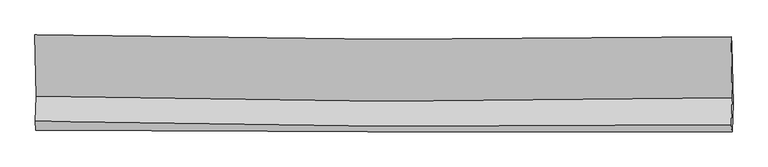
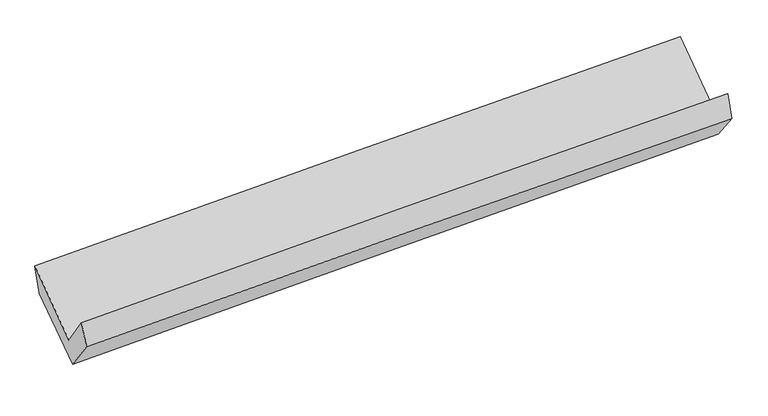
"""IFC4 building model written with IfcOpenShell, lengths in millimetres: proxy geometry."""

import ifcopenshell
import ifcopenshell.guid

model = None  # the IFC model being written
_history = None  # IfcOwnerHistory: only IFC2X3 demands one
_inside = {}  # id of a spatial element -> (the spatial element, [elements in it])
_under = {}  # id of a project, library or spatial element -> (it, [spatial elements below it])
_declared = {}  # id of a project -> (the project, [libraries it declares])
_typed = {}  # id of a type object -> (the type object, [elements of that type])
_made_of = {}  # id of a material, layer set ... -> (it, [elements and type objects made of it])


def new_model(schema):
    """Start an empty IFC model of exactly this schema.

    Asked for "IFC4X3", IfcOpenShell would pick the latest addendum, in which some entities
    have other attributes; the version numbers below select the first issue.
    IFC2X3 requires an IfcOwnerHistory on every rooted entity: one is made here for all.
    """
    global model, _history
    if schema == "IFC4X3":
        model = ifcopenshell.file(schema_version=(4, 3, 0, 0))
    else:
        model = ifcopenshell.file(schema=schema)
    _inside.clear()
    _under.clear()
    _declared.clear()
    _typed.clear()
    _made_of.clear()
    _history = None
    if model.schema == "IFC2X3":
        org = make("IfcOrganization", Name="unknown")
        user = make(
            "IfcPersonAndOrganization",
            ThePerson=make("IfcPerson", FamilyName="unknown"),
            TheOrganization=org,
        )
        app = make(
            "IfcApplication",
            ApplicationDeveloper=org,
            Version="unknown",
            ApplicationFullName="unknown",
            ApplicationIdentifier="unknown",
        )
        _history = make(
            "IfcOwnerHistory",
            OwningUser=user,
            OwningApplication=app,
            ChangeAction="ADDED",
            CreationDate=0,
        )
    return model


def make(cls, **values):
    """One entity of the class cls with the attributes given. An attribute that is None is left unset."""
    return model.create_entity(
        cls, **{name: value for name, value in values.items() if value is not None}
    )


def rooted(cls, **values):
    """An entity with a GlobalId (a new one), such as an element, a storey or a relation."""
    return make(cls, GlobalId=ifcopenshell.guid.new(), OwnerHistory=_history, **values)


def si_unit(unit_type, name, prefix=None):
    """IfcSIUnit, for example si_unit("LENGTHUNIT", "METRE", prefix="MILLI")."""
    return make("IfcSIUnit", UnitType=unit_type, Prefix=prefix, Name=name)


def assignment(units):
    """IfcUnitAssignment: the units of a project."""
    return None if units is None else make("IfcUnitAssignment", Units=units)


def point(xyz):
    """IfcCartesianPoint."""
    return None if xyz is None else make("IfcCartesianPoint", Coordinates=xyz)


def direction(xyz):
    """IfcDirection."""
    return None if xyz is None else make("IfcDirection", DirectionRatios=xyz)


def frame(location, z_axis=None, x_axis=None):
    """IfcAxis2Placement3D, a coordinate frame: its origin and axes. An axis left out is left unset."""
    return make(
        "IfcAxis2Placement3D",
        Location=point(location),
        Axis=direction(z_axis),
        RefDirection=direction(x_axis),
    )


def origin():
    """The frame at (0, 0, 0) with its axes left unset."""
    return frame((0.0, 0.0, 0.0))


def place(relative_to, where):
    """IfcLocalPlacement: puts the frame where relative to a parent placement (None: the world)."""
    return make(
        "IfcLocalPlacement", PlacementRelTo=relative_to, RelativePlacement=where
    )


def context(
    kind, dimensions, precision=None, world=None, true_north=None, identifier=None
):
    """IfcGeometricRepresentationContext, for example the 3D "Model" context."""
    return make(
        "IfcGeometricRepresentationContext",
        ContextIdentifier=identifier,
        ContextType=kind,
        CoordinateSpaceDimension=dimensions,
        Precision=precision,
        WorldCoordinateSystem=world,
        TrueNorth=true_north,
    )


def project(units=None, contexts=None):
    """IfcProject with its units and contexts."""
    return rooted(
        "IfcProject",
        Name="project",
        RepresentationContexts=contexts,
        UnitsInContext=assignment(units),
    )


def spatial(cls, under=None, at=None, **own):
    """A site, building, storey or space (cls), placed at a placement, below another one or the project."""
    s = rooted(cls, ObjectPlacement=at, **own)
    if under is not None:
        _under.setdefault(under.id(), (under, []))[1].append(s)
    return s


def shape(context_of_items, identifier, shape_type, items):
    """IfcShapeRepresentation: the items that make up one representation, for example the "Body"."""
    return make(
        "IfcShapeRepresentation",
        ContextOfItems=context_of_items,
        RepresentationIdentifier=identifier,
        RepresentationType=shape_type,
        Items=items,
    )


def source(mapping_origin, context_of_items, identifier, shape_type, items):
    """IfcRepresentationMap: a shape defined once, which mapped items show again and again."""
    return make(
        "IfcRepresentationMap",
        MappingOrigin=mapping_origin,
        MappedRepresentation=shape(context_of_items, identifier, shape_type, items),
    )


def transform(
    local_origin,
    x_axis=None,
    y_axis=None,
    z_axis=None,
    scale=None,
    scale2=None,
    scale3=None,
    uniform=True,
):
    """IfcCartesianTransformationOperator3D, or its non-uniform kind. x_axis, y_axis, z_axis: its Axis1, 2, 3."""
    if uniform:
        return make(
            "IfcCartesianTransformationOperator3D",
            Axis1=direction(x_axis),
            Axis2=direction(y_axis),
            LocalOrigin=point(local_origin),
            Scale=scale,
            Axis3=direction(z_axis),
        )
    return make(
        "IfcCartesianTransformationOperator3DnonUniform",
        Axis1=direction(x_axis),
        Axis2=direction(y_axis),
        LocalOrigin=point(local_origin),
        Scale=scale,
        Axis3=direction(z_axis),
        Scale2=scale2,
        Scale3=scale3,
    )


def mapped(mapping_source, mapping_target):
    """IfcMappedItem: shows the shape of a source again, moved by a transform."""
    return make(
        "IfcMappedItem", MappingSource=mapping_source, MappingTarget=mapping_target
    )


def made_of(thing, what):
    """Note that an element or type object is made of a material, layer set ...; save() writes the relation."""
    if what is not None:
        _made_of.setdefault(what.id(), (what, []))[1].append(thing)
    return thing


def element(
    cls,
    number,
    at=None,
    inside=None,
    cuts=None,
    type_object=None,
    material=None,
    context=None,
    identifier="Body",
    shape_type=None,
    held_by="IfcProductDefinitionShape",
    body=None,
    shapes=None,
    **own,
):
    """One element of the class cls, such as IfcWall. Its Tag is "e" and its number.

    at: its placement. inside: the storey or other place that contains it. cuts: it is an
    opening in that element (IfcRelVoidsElement). A single representation is given by context,
    identifier, shape_type and body (its items); several are given by shapes. held_by: the class
    of the entity that holds the representations. save() writes the other relations.
    """
    e = rooted(cls, Tag="e%d" % number, ObjectPlacement=at, **own)
    if body is not None:
        shapes = [shape(context, identifier, shape_type, body)]
    if shapes is not None:
        e.Representation = make(held_by, Representations=shapes)
    if inside is not None:
        _inside.setdefault(inside.id(), (inside, []))[1].append(e)
    if cuts is not None:
        rooted(
            "IfcRelVoidsElement", RelatingBuildingElement=cuts, RelatedOpeningElement=e
        )
    if type_object is not None:
        _typed.setdefault(type_object.id(), (type_object, []))[1].append(e)
    return made_of(e, material)


def aggregate(whole, parts):
    """IfcRelAggregates: a whole, such as a stair, and the parts it consists of."""
    return rooted("IfcRelAggregates", RelatingObject=whole, RelatedObjects=parts)


def save(model, path):
    """Write the relations noted so far, then the file.

    IfcRelAggregates (storeys below a building ...), IfcRelContainedInSpatialStructure (elements
    in a storey), IfcRelDefinesByType, IfcRelAssociatesMaterial and IfcRelDeclares: one each for
    every whole, place, type object, material and project.
    """
    for whole, parts in _under.values():
        aggregate(whole, parts)
    for where, things in _inside.values():
        rooted(
            "IfcRelContainedInSpatialStructure",
            RelatedElements=things,
            RelatingStructure=where,
        )
    for kind, things in _typed.values():
        rooted("IfcRelDefinesByType", RelatedObjects=things, RelatingType=kind)
    for what, things in _made_of.values():
        rooted("IfcRelAssociatesMaterial", RelatedObjects=things, RelatingMaterial=what)
    for by, libraries in _declared.values():
        rooted("IfcRelDeclares", RelatingContext=by, RelatedDefinitions=libraries)
    model.write(path)


def plane_surface(at):
    """IfcPlane: the flat surface through the origin of the frame at, square to its z axis."""
    return make("IfcPlane", Position=at)


def spline_curve(degree, points, multiplicities, knots, weights=None):
    """IfcBSplineCurveWithKnots; with weights, IfcRationalBSplineCurveWithKnots."""
    own = dict(
        Degree=degree,
        ControlPointsList=[point(p) for p in points],
        CurveForm="UNSPECIFIED",
        ClosedCurve=False,
        SelfIntersect=False,
        KnotMultiplicities=multiplicities,
        Knots=knots,
        KnotSpec="UNSPECIFIED",
    )
    if weights is None:
        return make("IfcBSplineCurveWithKnots", **own)
    return make("IfcRationalBSplineCurveWithKnots", WeightsData=weights, **own)


def spline_surface(u_degree, v_degree, points, u_multiplicities, v_multiplicities, u_knots, v_knots, weights=None):
    """IfcBSplineSurfaceWithKnots; with weights, IfcRationalBSplineSurfaceWithKnots. points: one row for each step in u."""
    own = dict(
        UDegree=u_degree,
        VDegree=v_degree,
        ControlPointsList=[[point(p) for p in row] for row in points],
        SurfaceForm="UNSPECIFIED",
        UClosed=False,
        VClosed=False,
        SelfIntersect=False,
        UMultiplicities=u_multiplicities,
        VMultiplicities=v_multiplicities,
        UKnots=u_knots,
        VKnots=v_knots,
        KnotSpec="UNSPECIFIED",
    )
    if weights is None:
        return make("IfcBSplineSurfaceWithKnots", **own)
    return make("IfcRationalBSplineSurfaceWithKnots", WeightsData=weights, **own)


def advanced_brep(points, edges, surfaces, faces):
    """IfcAdvancedBrep: a solid bounded by faces that lie on surfaces and meet in shared edges.

    An edge is (start, end): straight between two places in points (the first is 0);
    or (start, end, curve); or (start, end, curve, False) where it runs against its curve.
    A face is (place in surfaces, loops), or (place, loops, False) where it looks against
    its surface's normal. A loop lists edges by number (the first is 1), with a minus sign
    where the edge is run from its end to its start. The first loop is the outer one.
    """
    corners = [point(p) for p in points]
    vertices = [make("IfcVertexPoint", VertexGeometry=c) for c in corners]
    made = []
    for start, end, *more in edges:
        made.append(
            make(
                "IfcEdgeCurve",
                EdgeStart=vertices[start],
                EdgeEnd=vertices[end],
                EdgeGeometry=more[0] if more else make("IfcPolyline", Points=[corners[start], corners[end]]),
                SameSense=more[1] if len(more) > 1 else True,
            )
        )
    hull = []
    for where, loops, *sense in faces:
        bounds = []
        for j, loop in enumerate(loops):
            ring = [make("IfcOrientedEdge", EdgeElement=made[abs(k) - 1], Orientation=k > 0) for k in loop]
            bounds.append(
                make(
                    "IfcFaceOuterBound" if j == 0 else "IfcFaceBound",
                    Bound=make("IfcEdgeLoop", EdgeList=ring),
                    Orientation=True,
                )
            )
        hull.append(make("IfcAdvancedFace", Bounds=bounds, FaceSurface=surfaces[where], SameSense=sense[0] if sense else True))
    return make("IfcAdvancedBrep", Outer=make("IfcClosedShell", CfsFaces=hull))


def generic_models_fb1adeab(model_context):
    return source(origin(), model_context, "Body", "AdvancedBrep", [
        advanced_brep(
        [(-3024.0340277, -1178.3876927, 2151.4401525), (-3013.1437609, -1710.1193227, 1734.8118497), (3006.4122167, -1720.2465718, 1911.667519), (2995.3136066, -1194.5747155, 2323.7625374), (-3022.531572, -1926.7463828, 2044.8608359), (2997.0429196, -1956.5809533, 2219.6404464), (-3017.0207342, -2001.5797682, 1848.1622366), (3003.1291065, -2013.8289177, 2007.2157244), (-3007.2335366, -1758.924544, 1526.1457368), (3012.3235868, -1774.1546323, 1705.443887), (-3017.420692, -1240.7516744, 1917.3860923), (3001.8212899, -1255.9314706, 2096.6179699)],
        [
            (0, 1),
            (1, 2, spline_curve(3, [(-3013.1437609, -1710.1193227, 1734.8118497), (-2010.43933285, -1734.850460257, 1781.762504307), (-1007.454933191, -1748.059912554, 1819.975834265), (999.063731875, -1751.435431092, 1878.927548645), (2002.597991237, -1741.60172816, 1899.666108492), (3006.4122167, -1720.2465718, 1911.667519)], [4, 2, 4], [0.0, 9.879791501103083, 19.75948375847109])),
            (2, 3),
            (3, 0, spline_curve(3, [(2995.3136066, -1194.5747155, 2323.7625374), (1991.449062217, -1210.754747117, 2315.705263056), (987.90700498, -1217.495898379, 2297.31655097), (-1018.542212746, -1212.100413922, 2239.875963529), (-2021.449367093, -1199.963588098, 2200.823880636), (-3024.0340277, -1178.3876927, 2151.4401525)], [4, 2, 4], [0.0, 9.879692257368008, 19.75948375847109])),
            (1, 4),
            (4, 5, spline_curve(3, [(-3022.531572, -1926.7463828, 2044.8608359), (-2019.926538707, -1950.020480964, 2095.267744942), (-1016.990293009, -1964.143710751, 2135.036186739), (989.534544062, -1974.088383901, 2193.295843047), (1993.123129062, -1969.910010703, 2211.787271338), (2997.0429196, -1956.5809533, 2219.6404464)], [4, 2, 4], [0.0, 9.88006662469466, 19.760034002890592])),
            (5, 2),
            (4, 6),
            (6, 7, spline_curve(3, [(-3017.0207342, -2001.5797682, 1848.1622366), (-2014.040870028, -2009.803885614, 1887.125405267), (-1010.869264, -2014.936696414, 1919.861482168), (995.84735369, -2019.019684078, 1972.879186346), (1999.392361115, -2017.969923103, 1993.160938643), (3003.1291065, -2013.8289177, 2007.2157244)], [4, 2, 4], [0.0, 9.87962234886193, 19.75914545568794])),
            (7, 5),
            (6, 8),
            (8, 9, spline_curve(3, [(-3007.2335366, -1758.924544, 1526.1457368), (-2004.279768896, -1769.921650019, 1565.851754991), (-1001.170604324, -1776.689362163, 1600.646327192), (1005.348439606, -1781.765973339, 1660.412278429), (2008.758316331, -1780.074957212, 1685.38375649), (3012.3235868, -1774.1546323, 1705.443887)], [4, 2, 4], [0.0, 9.879278796069988, 19.758458353555085])),
            (9, 7),
            (8, 10),
            (10, 11, spline_curve(3, [(-3017.420692, -1240.7516744, 1917.3860923), (-2014.520030297, -1251.756951537, 1957.100104642), (-1011.463680559, -1258.524557945, 1991.893150964), (994.950316369, -1263.584404842, 2051.637011367), (1998.307960767, -1261.876730416, 2076.587924187), (3001.8212899, -1255.9314706, 2096.6179699)], [4, 2, 4], [0.0, 9.87900769277926, 19.757916149696893])),
            (11, 9),
            (10, 0),
            (3, 11),
        ],
        [
            spline_surface(3, 3, [[(-3024.0340277, -1178.3876927, 2151.4401525), (-2021.449367053, -1199.963588134, 2200.823880533), (-1018.542212834, -1212.10041384, 2239.875963545), (987.907005068, -1217.49589846, 2297.316550955), (1991.449062303, -1210.75474705, 2315.705262894), (2995.3136066, -1194.5747155, 2323.7625374)], [(-3020.403938795, -1355.631569339, 2012.564051584), (-2017.779355655, -1378.259212119, 2061.136755174), (-1014.846452917, -1390.753580121, 2099.90925383), (991.625913962, -1395.475742614, 2157.853550174), (1995.16537194, -1387.703740727, 2177.025544725), (2999.013143291, -1369.798667598, 2186.397531254)], [(-3016.773849805, -1532.875446061, 1873.687950616), (-2014.109344173, -1556.554836187, 1921.449629764), (-1011.150692991, -1569.406746423, 1959.942544064), (995.344822865, -1573.455586789, 2018.390549342), (1998.881681604, -1564.65273441, 2038.345826594), (3002.712680009, -1545.022619702, 2049.032525146)], [(-3013.1437609, -1710.1193227, 1734.8118497), (-2010.439332776, -1734.850460171, 1781.762504405), (-1007.454933074, -1748.059912704, 1819.975834349), (999.063731759, -1751.435430943, 1878.92754856), (2002.59799124, -1741.601728087, 1899.666108425), (3006.4122167, -1720.2465718, 1911.667519)]], [4, 4], [4, 2, 4], [0.0, 2.229950137523567], [0.0, 9.879791501103083, 19.75948375847109]),
            spline_surface(3, 3, [[(-3013.1437609, -1710.1193227, 1734.8118497), (-2010.439332776, -1734.850460171, 1781.762504405), (-1007.454933074, -1748.059912704, 1819.975834349), (999.063731759, -1751.435430943, 1878.92754856), (2002.59799124, -1741.601728087, 1899.666108425), (3006.4122167, -1720.2465718, 1911.667519)], [(-3016.27303125, -1782.32834274, 1838.161511772), (-2013.601734694, -1806.57380046, 1886.264251229), (-1010.633386411, -1820.087845428, 1924.995951778), (995.887335876, -1825.653081917, 1983.71698006), (1999.439703886, -1817.704488999, 2003.706496123), (3003.289117682, -1799.024698959, 2014.325161478)], [(-3019.40230165, -1854.53736276, 1941.511173828), (-2016.764136662, -1878.29714073, 1990.765998038), (-1013.811839734, -1892.115778107, 2030.016069253), (992.710940007, -1899.870732845, 2088.506411605), (1996.281416487, -1893.807249934, 2107.746883785), (3000.166018618, -1877.802826141, 2116.982803922)], [(-3022.531572, -1926.7463828, 2044.8608359), (-2019.92653858, -1950.020481018, 2095.267744862), (-1016.990293071, -1964.143710832, 2135.036186681), (989.534544124, -1974.08838382, 2193.295843105), (1993.123129133, -1969.910010845, 2211.787271482), (2997.0429196, -1956.5809533, 2219.6404464)]], [4, 4], [4, 2, 4], [0.0, 1.2589982813213874], [0.0, 9.88006662469466, 19.760034002890592]),
            spline_surface(3, 3, [[(-3022.531572, -1926.7463828, 2044.8608359), (-2019.92653858, -1950.020481018, 2095.267744862), (-1016.990293071, -1964.143710832, 2135.036186681), (989.534544124, -1974.08838382, 2193.295843105), (1993.123129133, -1969.910010845, 2211.787271482), (2997.0429196, -1956.5809533, 2219.6404464)], [(-3020.694626072, -1951.690844593, 1979.294636122), (-2017.96464907, -1969.948282542, 2025.886964977), (-1014.949950004, -1981.074705998, 2063.311285192), (991.638813928, -1989.065483908, 2119.82362419), (1995.212873052, -1985.929981634, 2138.911827205), (2999.071648543, -1975.663608123, 2148.832205722)], [(-3018.857680128, -1976.635306407, 1913.728436378), (-2016.002759544, -1989.876084085, 1956.506185125), (-1012.909606925, -1998.005701203, 1991.586383672), (993.743083745, -2004.042584036, 2046.351405245), (1997.302617044, -2001.949952355, 2066.036382963), (3001.100377557, -1994.746262877, 2078.023965078)], [(-3017.0207342, -2001.5797682, 1848.1622366), (-2014.040870034, -2009.803885609, 1887.12540524), (-1010.869263858, -2014.936696369, 1919.861482183), (995.847353549, -2019.019684124, 1972.879186331), (1999.392360963, -2017.969923144, 1993.160938685), (3003.1291065, -2013.8289177, 2007.2157244)]], [4, 4], [4, 2, 4], [0.0, 0.7318875447452771], [0.0, 9.87962234886193, 19.75914545568794]),
            spline_surface(3, 3, [[(-3017.0207342, -2001.5797682, 1848.1622366), (-2014.040870034, -2009.803885609, 1887.12540524), (-1010.869263858, -2014.936696369, 1919.861482183), (995.847353549, -2019.019684124, 1972.879186331), (1999.392360963, -2017.969923144, 1993.160938685), (3003.1291065, -2013.8289177, 2007.2157244)], [(-3013.758334998, -1920.694693486, 1740.823403319), (-2010.787169658, -1929.843140434, 1780.03418851), (-1007.636377408, -1935.520918326, 1813.45643049), (999.014382282, -1939.935113866, 1868.72355039), (2002.514346147, -1938.67160116, 1890.568544647), (3006.193933279, -1933.937489205, 1906.625111941)], [(-3010.495935802, -1839.809618714, 1633.484570081), (-2007.533469289, -1849.8823952, 1672.942971823), (-1004.403490936, -1856.105140239, 1707.051378801), (1002.181411035, -1860.850543564, 1764.567914452), (2005.636331293, -1859.373279262, 1787.976150585), (3009.258760021, -1854.046060795, 1806.034499459)], [(-3007.2335366, -1758.924544, 1526.1457368), (-2004.279768913, -1769.921650026, 1565.851755093), (-1001.170604486, -1776.689362196, 1600.646327109), (1005.348439768, -1781.765973306, 1660.412278511), (2008.758316477, -1780.074957278, 1685.383756547), (3012.3235868, -1774.1546323, 1705.443887)]], [4, 4], [4, 2, 4], [0.0, 1.2973763893656296], [0.0, 9.879278796069988, 19.758458353555085]),
            spline_surface(3, 3, [[(-3007.2335366, -1758.924544, 1526.1457368), (-2004.279768913, -1769.921650026, 1565.851755093), (-1001.170604486, -1776.689362196, 1600.646327109), (1005.348439768, -1781.765973306, 1660.412278511), (2008.758316477, -1780.074957278, 1685.383756547), (3012.3235868, -1774.1546323, 1705.443887)], [(-3010.629255081, -1586.200254118, 1656.559188626), (-2007.693189346, -1597.200083802, 1696.267871623), (-1004.601629869, -1603.967760779, 1731.06193506), (1001.882398665, -1609.038783826, 1790.820522776), (2005.274864602, -1607.342214985, 1815.785145768), (3008.822821153, -1601.413578398, 1835.835247958)], [(-3014.024973519, -1413.475964282, 1786.972640474), (-2011.106609736, -1424.478517624, 1826.683988174), (-1008.032655259, -1431.246159349, 1861.477543043), (998.416357555, -1436.311594334, 1921.228767073), (2001.791412767, -1434.6094727, 1946.186535014), (3005.322055547, -1428.672524502, 1966.226608942)], [(-3017.420692, -1240.7516744, 1917.3860923), (-2014.520030169, -1251.7569514, 1957.100104704), (-1011.463680642, -1258.524557932, 1991.893150994), (994.950316452, -1263.584404854, 2051.637011337), (1998.307960892, -1261.876730407, 2076.587924235), (3001.8212899, -1255.9314706, 2096.6179699)]], [4, 4], [4, 2, 4], [0.0, 2.1304651586799976], [0.0, 9.87900769277926, 19.757916149696893]),
            spline_surface(3, 3, [[(-3017.420692, -1240.7516744, 1917.3860923), (-2014.520030169, -1251.7569514, 1957.100104704), (-1011.463680642, -1258.524557932, 1991.893150994), (994.950316452, -1263.584404854, 2051.637011337), (1998.307960892, -1261.876730407, 2076.587924235), (3001.8212899, -1255.9314706, 2096.6179699)], [(-3019.625137204, -1219.963680523, 1995.404112378), (-2016.829809102, -1234.492497001, 2038.341363325), (-1013.823191356, -1243.049843221, 2074.554088511), (992.602546007, -1248.221569376, 2133.53019121), (1996.021661381, -1244.836069305, 2156.293703801), (2999.652062152, -1235.479218918, 2172.332825746)], [(-3021.829582496, -1199.175686577, 2073.422132422), (-2019.139588121, -1217.228042533, 2119.582621913), (-1016.18270212, -1227.575128551, 2157.215026028), (990.254775513, -1232.858733939, 2215.423371083), (1993.735361814, -1227.795408151, 2235.999483328), (2997.482834348, -1215.026967182, 2248.047681554)], [(-3024.0340277, -1178.3876927, 2151.4401525), (-2021.449367053, -1199.963588134, 2200.823880533), (-1018.542212834, -1212.10041384, 2239.875963545), (987.907005068, -1217.49589846, 2297.316550955), (1991.449062303, -1210.75474705, 2315.705262894), (2995.3136066, -1194.5747155, 2323.7625374)]], [4, 4], [4, 2, 4], [0.0, 0.8242364397418892], [0.0, 9.87905806441333, 19.758016892459047]),
            plane_surface(frame((3002.6737877, -1652.5528769, 2044.058014), z_axis=(0.9995750735013653, -0.0017077004546060814, 0.02909907548183579), x_axis=(-0.016173030212364093, 0.7980386480481284, 0.6023892008620885))),
            plane_surface(frame((-3016.8973872, -1636.0848975, 1870.4678173), z_axis=(-0.9995829395028918, 0.0020950822596741163, -0.028802043071340308), x_axis=(0.027292831792763355, -0.25737233978145757, -0.9659267984936281))),
        ],
        [
            (0, [[1, 2, 3, 4]]),
            (1, [[5, 6, 7, -2]]),
            (2, [[8, 9, 10, -6]]),
            (3, [[11, 12, 13, -9]]),
            (4, [[14, 15, 16, -12]]),
            (5, [[17, -4, 18, -15]]),
            (6, [[-16, -18, -3, -7, -10, -13]]),
            (7, [[-17, -14, -11, -8, -5, -1]]),
        ],
    ),
    ])


if __name__ == "__main__":
    model = new_model("IFC4")
    model_context = context("Model", 3, world=origin())
    ifc_project = project(units=[si_unit("LENGTHUNIT", "METRE", prefix="MILLI")], contexts=[model_context])
    site = spatial("IfcSite", under=ifc_project)
    building = spatial("IfcBuilding", under=site)
    placement = place(None, origin())
    generic_models_shape = generic_models_fb1adeab(model_context)
    element("IfcBuildingElementProxy", 1, Name="Generic Models", at=placement, inside=building, context=model_context, shape_type="MappedRepresentation", body=[
        mapped(generic_models_shape, transform((0.0, 0.0, 0.0), x_axis=(1.0, 0.0, 0.0), y_axis=(0.0, 1.0, 0.0), z_axis=(0.0, 0.0, 1.0))),
    ])
    save(model, "model.ifc")
